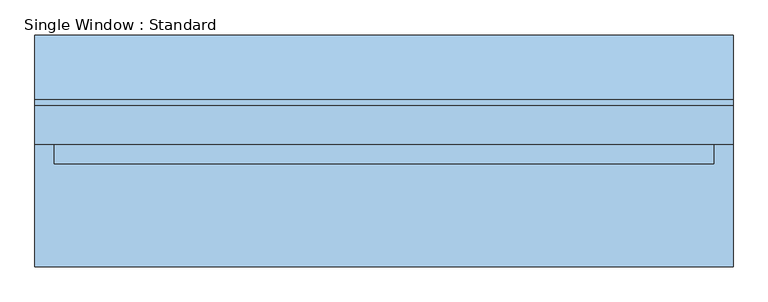
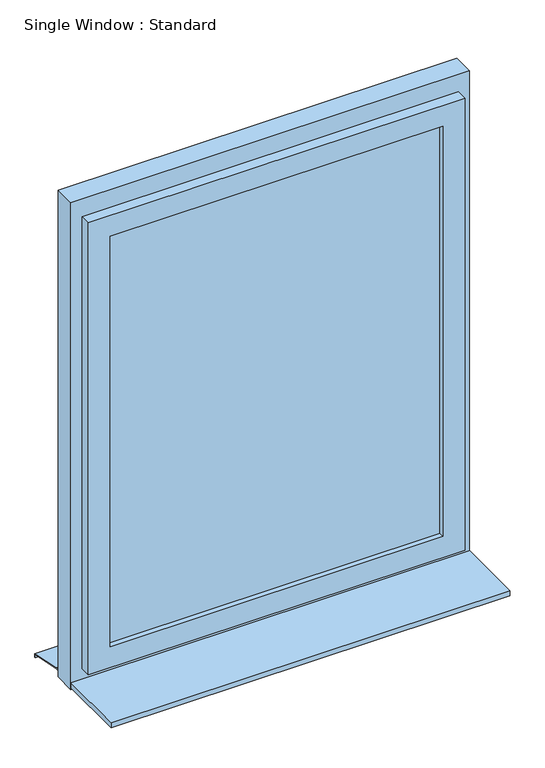
"""IFC4 building model written with IfcOpenShell, lengths in millimetres: window geometry, Single Window : Standard."""

from ifc_helpers import new_model, si_unit, frame, origin, place, context, project, spatial, polyline, outline, extrude, faceted_brep, source, transform, mapped, element, save


def single_window_standard_673668fb(model_context):
    return source(origin(), model_context, "Body", "SolidModel", [
        extrude(outline(polyline([(452.7402561, -5.0), (-452.7402561, -5.0), (-452.7402561, 25.0), (452.7402561, 25.0), (452.7402561, -5.0)])), frame((0.0, 0.0, 1110.0), z_axis=(0.0, 0.0, 1.0), x_axis=(1.0, 0.0, 0.0)), (0.0, 0.0, 1.0), 1180.0),
        faceted_brep([(512.7402561, 10.0, 2350.0), (512.7402561, -20.0, 2350.0), (512.7402561, -20.0, 1050.0), (512.7402561, 10.0, 1050.0), (482.7402561, 40.0, 2320.0), (482.7402561, 10.0, 2320.0), (482.7402561, 10.0, 1080.0), (482.7402561, 40.0, 1080.0), (452.7402561, -20.0, 2290.0), (452.7402561, 40.0, 2290.0), (452.7402561, 40.0, 1110.0), (452.7402561, -20.0, 1110.0), (-512.7402561, -20.0, 1050.0), (-512.7402561, 10.0, 1050.0), (-482.7402561, 10.0, 1080.0), (-482.7402561, 40.0, 1080.0), (-452.7402561, 40.0, 1110.0), (-452.7402561, -20.0, 1110.0), (-512.7402561, -20.0, 2350.0), (-512.7402561, 10.0, 2350.0), (-482.7402561, 10.0, 2320.0), (-482.7402561, 40.0, 2320.0), (-452.7402561, 40.0, 2290.0), (-452.7402561, -20.0, 2290.0)], [[[0, 1, 2, 3]], [[4, 5, 6, 7]], [[8, 9, 10, 11]], [[3, 2, 12, 13]], [[7, 6, 14, 15]], [[11, 10, 16, 17]], [[13, 12, 18, 19]], [[15, 14, 20, 21]], [[17, 16, 22, 23]], [[19, 18, 1, 0]], [[3, 13, 19, 0], [5, 20, 14, 6]], [[21, 20, 5, 4]], [[7, 15, 21, 4], [9, 22, 16, 10]], [[23, 22, 9, 8]], [[1, 18, 12, 2], [11, 17, 23, 8]]]),
        extrude(outline(polyline([(2400.0, 542.7402561), (2400.0, -542.7402561), (1000.0, -542.7402561), (1000.0, 542.7402561), (2400.0, 542.7402561)]), holes=[polyline([(2320.0, 482.7402561), (1080.0, 482.7402561), (1080.0, -482.7402561), (2320.0, -482.7402561), (2320.0, 482.7402561)])]), frame((0.0, 10.0, 0.0), z_axis=(0.0, 1.0, 0.0), x_axis=(0.0, 0.0, 1.0)), (0.0, 0.0, 1.0), 60.0),
        extrude(outline(polyline([(80.0221543, 1020.0), (180.0, 1000.0), (180.0, 990.0), (178.0, 990.0), (178.0, 998.3604634), (79.8240723, 1018.0), (70.0, 1018.0), (70.0, 1020.0), (80.0221543, 1020.0)])), frame((-542.7402561, 0.0, 0.0), z_axis=(1.0, 0.0, 0.0), x_axis=(0.0, 1.0, 0.0)), (0.0, 0.0, 1.0), 1085.4805121),
        extrude(outline(polyline([(-542.7402561, -180.0), (-542.7402561, 10.0), (542.7402561, 10.0), (542.7402561, -180.0), (-542.7402561, -180.0)])), frame((0.0, 0.0, 1005.0), z_axis=(0.0, 0.0, 1.0), x_axis=(1.0, 0.0, 0.0)), (0.0, 0.0, 1.0), 15.0),
    ])


if __name__ == "__main__":
    model = new_model("IFC4")
    model_context = context("Model", 3, world=origin())
    ifc_project = project(units=[si_unit("LENGTHUNIT", "METRE", prefix="MILLI")], contexts=[model_context])
    site = spatial("IfcSite", under=ifc_project)
    building = spatial("IfcBuilding", under=site)
    placement = place(None, origin())
    single_window_standard_shape = single_window_standard_673668fb(model_context)
    element("IfcWindow", 1, ObjectType="Single Window : Standard", at=placement, inside=building, context=model_context, shape_type="MappedRepresentation", body=[
        mapped(single_window_standard_shape, transform((0.0, 0.0, 0.0), x_axis=(1.0, 0.0, 0.0), y_axis=(0.0, 1.0, 0.0), z_axis=(0.0, 0.0, 1.0))),
    ])
    save(model, "model.ifc")
